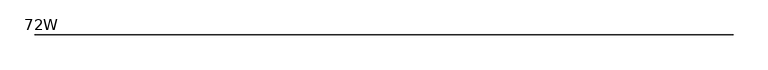
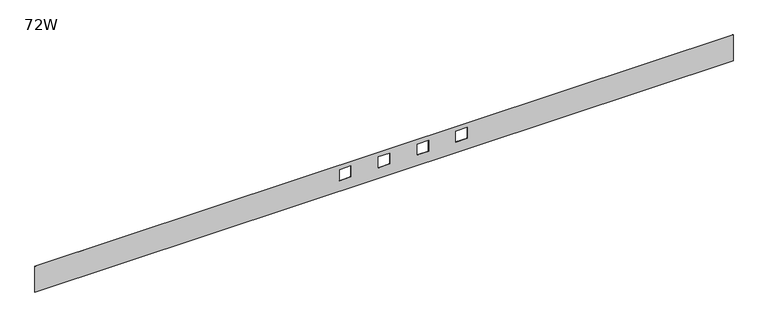
"""IFC4 building model written with IfcOpenShell, lengths in millimetres: furniture geometry, 72W."""

from ifc_helpers import new_model, si_unit, frame, origin, place, context, project, spatial, polyline, outline, extrude, source, transform, mapped, element, save


def furniture_72w_07a8bb18(model_context):
    return source(origin(), model_context, "Body", "SweptSolid", [
        extrude(outline(polyline([(-84.9883989, 1828.8), (-84.9883989, 0.0), (-156.730695, 0.0), (-156.730695, 1828.8), (-84.9883989, 1828.8)]), holes=[polyline([(-97.2819981, 827.7859918), (-127.2539967, 827.7859918), (-127.2539967, 797.814), (-97.2819981, 797.814), (-97.2819981, 827.7859918)]), polyline([(-97.2819981, 929.3860039), (-127.2539967, 929.3860039), (-127.2539967, 899.4139961), (-97.2819981, 899.4139961), (-97.2819981, 929.3860039)]), polyline([(-97.2819981, 1030.9859797), (-127.2539967, 1030.9859797), (-127.2539967, 1001.0139719), (-97.2819981, 1001.0139719), (-97.2819981, 1030.9859797)]), polyline([(-97.2819981, 1132.586), (-127.2539967, 1132.586), (-127.2539967, 1102.6140203), (-97.2819981, 1102.6140203), (-97.2819981, 1132.586)])]), frame((0.0, -38.1, 0.0), z_axis=(0.0, 1.0, 0.0), x_axis=(0.0, 0.0, 1.0)), (0.0, 0.0, 1.0), 0.1717574),
    ])


if __name__ == "__main__":
    model = new_model("IFC4")
    model_context = context("Model", 3, world=origin())
    ifc_project = project(units=[si_unit("LENGTHUNIT", "METRE", prefix="MILLI")], contexts=[model_context])
    site = spatial("IfcSite", under=ifc_project)
    building = spatial("IfcBuilding", under=site)
    placement = place(None, origin())
    furniture_72w_shape = furniture_72w_07a8bb18(model_context)
    element("IfcFurniture", 1, ObjectType="72W", at=placement, inside=building, context=model_context, shape_type="MappedRepresentation", body=[
        mapped(furniture_72w_shape, transform((0.0, 0.0, 0.0), x_axis=(1.0, 0.0, 0.0), y_axis=(0.0, 1.0, 0.0), z_axis=(0.0, 0.0, 1.0))),
    ])
    save(model, "model.ifc")
